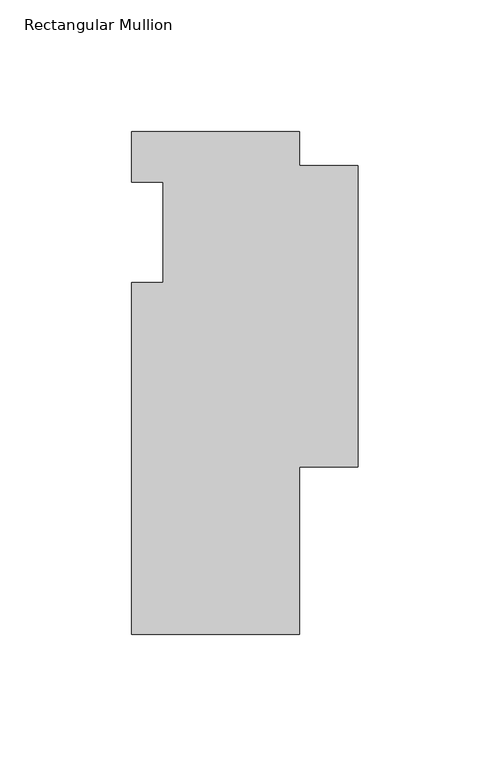
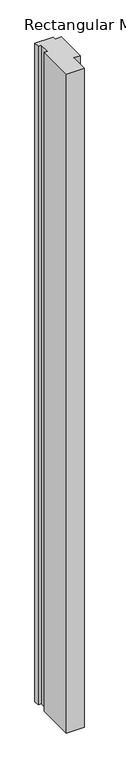
"""IFC4 building model written with IfcOpenShell, lengths in millimetres: member geometry, Rectangular Mullion."""

from ifc_helpers import new_model, si_unit, frame, origin, place, context, project, spatial, polyline, outline, extrude, source, transform, mapped, element, save


def rectangular_mullion_6cd41364(model_context):
    return source(origin(), model_context, "Body", "SweptSolid", [
        extrude(outline(polyline([(-31.75, -152.4), (-31.75, -19.05), (-19.8374, -19.05), (-19.8374, 19.0504842), (-31.75, 19.0504842), (-31.75, 38.1), (31.75, 38.1), (31.75, 25.4), (53.975, 25.4), (53.975, -88.9), (31.75, -88.9), (31.75, -152.4), (-31.75, -152.4)])), frame((0.0, 0.0, -2438.4), z_axis=(0.0, 0.0, 1.0), x_axis=(1.0, 0.0, 0.0)), (0.0, 0.0, 1.0), 2438.4),
    ])


if __name__ == "__main__":
    model = new_model("IFC4")
    model_context = context("Model", 3, world=origin())
    ifc_project = project(units=[si_unit("LENGTHUNIT", "METRE", prefix="MILLI")], contexts=[model_context])
    site = spatial("IfcSite", under=ifc_project)
    building = spatial("IfcBuilding", under=site)
    placement = place(None, origin())
    rectangular_mullion_shape = rectangular_mullion_6cd41364(model_context)
    element("IfcMember", 1, ObjectType="Rectangular Mullion", at=placement, inside=building, context=model_context, shape_type="MappedRepresentation", body=[
        mapped(rectangular_mullion_shape, transform((0.0, 0.0, 0.0), x_axis=(1.0, 0.0, 0.0), y_axis=(0.0, 1.0, 0.0), z_axis=(0.0, 0.0, 1.0))),
    ])
    save(model, "model.ifc")
